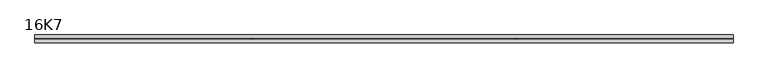
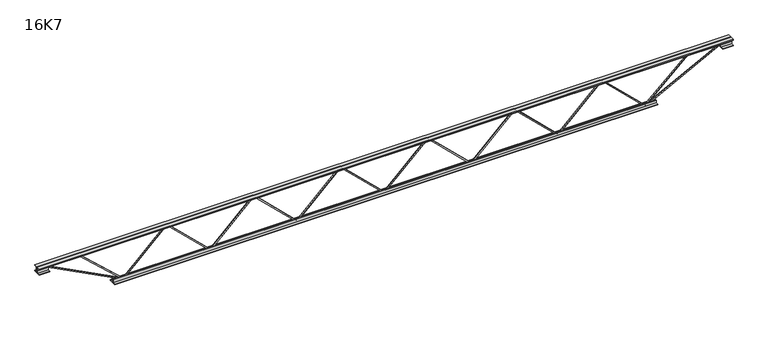
"""IFC4 building model written with IfcOpenShell, lengths in millimetres: beam geometry, 16K7."""

from ifc_helpers import new_model, si_unit, frame, origin, place, context, project, spatial, polyline, outline, extrude, source, transform, mapped, element, save


def beam_16k7_2b55c027(model_context):
    return source(origin(), model_context, "Body", "SweptSolid", [
        extrude(outline(polyline([(-191.9, 824.3333333), (-201.4, 824.3333333), (-201.4, 829.4324089), (191.9, 1235.2490756), (191.9, 1237.7509244), (-201.4, 1643.5675911), (-201.4, 1648.6666667), (-191.9, 1648.6666667), (-191.9, 1647.4157422), (201.4, 1241.5990756), (201.4, 1231.4009244), (-191.9, 825.5842578), (-191.9, 824.3333333)])), frame((0.0, -4.75, 0.0), z_axis=(0.0, 1.0, 0.0), x_axis=(0.0, 0.0, 1.0)), (0.0, 0.0, 1.0), 9.5),
        extrude(outline(polyline([(-191.9, 0.0), (-201.4, 0.0), (-201.4, 5.0990756), (191.9, 410.9157422), (191.9, 413.4175911), (-201.4, 819.2342578), (-201.4, 824.3333333), (-191.9, 824.3333333), (-191.9, 823.0824089), (201.4, 417.2657422), (201.4, 407.0675911), (-191.9, 1.2509244), (-191.9, 0.0)])), frame((0.0, -4.75, 0.0), z_axis=(0.0, 1.0, 0.0), x_axis=(0.0, 0.0, 1.0)), (0.0, 0.0, 1.0), 9.5),
        extrude(outline(polyline([(-191.9, -824.3333333), (-201.4, -824.3333333), (-201.4, -819.2342578), (191.9, -413.4175911), (191.9, -410.9157422), (-201.4, -5.0990756), (-201.4, 0.0), (-191.9, 0.0), (-191.9, -1.2509244), (201.4, -407.0675911), (201.4, -417.2657422), (-191.9, -823.0824089), (-191.9, -824.3333333)])), frame((0.0, -4.75, 0.0), z_axis=(0.0, 1.0, 0.0), x_axis=(0.0, 0.0, 1.0)), (0.0, 0.0, 1.0), 9.5),
        extrude(outline(polyline([(-191.9, -1648.6666667), (-201.4, -1648.6666667), (-201.4, -1643.5675911), (191.9, -1237.7509244), (191.9, -1235.2490756), (-201.4, -829.4324089), (-201.4, -824.3333333), (-191.9, -824.3333333), (-191.9, -825.5842578), (201.4, -1231.4009244), (201.4, -1241.5990756), (-191.9, -1647.4157422), (-191.9, -1648.6666667)])), frame((0.0, -4.75, 0.0), z_axis=(0.0, 1.0, 0.0), x_axis=(0.0, 0.0, 1.0)), (0.0, 0.0, 1.0), 9.5),
        extrude(outline(polyline([(-191.9, 1648.6666667), (-201.4, 1648.6666667), (-201.4, 1653.7657422), (191.9, 2059.5824089), (191.9, 2062.0842578), (-201.4, 2467.9009244), (-201.4, 2473.0), (-191.9, 2473.0), (-191.9, 2471.7490756), (201.4, 2065.9324089), (201.4, 2055.7342578), (-191.9, 1649.9175911), (-191.9, 1648.6666667)])), frame((0.0, -4.75, 0.0), z_axis=(0.0, 1.0, 0.0), x_axis=(0.0, 0.0, 1.0)), (0.0, 0.0, 1.0), 9.5),
        extrude(outline(polyline([(-191.9, -2473.0), (-201.4, -2473.0), (-201.4, -2467.9009244), (191.9, -2062.0842578), (191.9, -2059.5824089), (-201.4, -1653.7657422), (-201.4, -1648.6666667), (-191.9, -1648.6666667), (-191.9, -1649.9175911), (201.4, -2055.7342578), (201.4, -2065.9324089), (-191.9, -2471.7490756), (-191.9, -2473.0)])), frame((0.0, -4.75, 0.0), z_axis=(0.0, 1.0, 0.0), x_axis=(0.0, 0.0, 1.0)), (0.0, 0.0, 1.0), 9.5),
        extrude(outline(polyline([(4.75, 203.0), (36.75, 203.0), (36.75, 196.5), (11.25, 196.5), (11.25, 171.0), (4.75, 171.0), (4.75, 203.0)])), frame((-3285.0, 0.0, 0.0), z_axis=(1.0, 0.0, 0.0), x_axis=(0.0, 1.0, 0.0)), (0.0, 0.0, 1.0), 6570.0),
        extrude(outline(polyline([(-4.75, 203.0), (-4.75, 171.0), (-11.25, 171.0), (-11.25, 196.5), (-36.75, 196.5), (-36.75, 203.0), (-4.75, 203.0)])), frame((-3285.0, 0.0, 0.0), z_axis=(1.0, 0.0, 0.0), x_axis=(0.0, 1.0, 0.0)), (0.0, 0.0, 1.0), 6570.0),
        extrude(outline(polyline([(-4.75, 139.5), (-36.75, 139.5), (-36.75, 146.0), (-11.25, 146.0), (-11.25, 171.0), (-4.75, 171.0), (-4.75, 139.5)])), frame((-3285.0, 0.0, 0.0), z_axis=(1.0, 0.0, 0.0), x_axis=(0.0, 1.0, 0.0)), (0.0, 0.0, 1.0), 100.0),
        extrude(outline(polyline([(36.75, 139.5), (4.75, 139.5), (4.75, 171.0), (11.25, 171.0), (11.25, 146.0), (36.75, 146.0), (36.75, 139.5)])), frame((-3285.0, 0.0, 0.0), z_axis=(1.0, 0.0, 0.0), x_axis=(0.0, 1.0, 0.0)), (0.0, 0.0, 1.0), 100.0),
        extrude(outline(polyline([(4.75, 139.5), (4.75, 171.0), (11.25, 171.0), (11.25, 146.0), (36.75, 146.0), (36.75, 139.5), (4.75, 139.5)])), frame((3185.0, 0.0, 0.0), z_axis=(1.0, 0.0, 0.0), x_axis=(0.0, 1.0, 0.0)), (0.0, 0.0, 1.0), 100.0),
        extrude(outline(polyline([(-4.75, 139.5), (-36.75, 139.5), (-36.75, 146.0), (-11.25, 146.0), (-11.25, 171.0), (-4.75, 171.0), (-4.75, 139.5)])), frame((3185.0, 0.0, 0.0), z_axis=(1.0, 0.0, 0.0), x_axis=(0.0, 1.0, 0.0)), (0.0, 0.0, 1.0), 100.0),
        extrude(outline(polyline([(4.75, -203.0), (4.75, -171.0), (11.25, -171.0), (11.25, -196.5), (36.75, -196.5), (36.75, -203.0), (4.75, -203.0)])), frame((-2573.0, 0.0, 0.0), z_axis=(1.0, 0.0, 0.0), x_axis=(0.0, 1.0, 0.0)), (0.0, 0.0, 1.0), 5146.0),
        extrude(outline(polyline([(-4.75, -203.0), (-36.75, -203.0), (-36.75, -196.5), (-11.25, -196.5), (-11.25, -171.0), (-4.75, -171.0), (-4.75, -203.0)])), frame((-2573.0, 0.0, 0.0), z_axis=(1.0, 0.0, 0.0), x_axis=(0.0, 1.0, 0.0)), (0.0, 0.0, 1.0), 5146.0),
        extrude(outline(polyline([(-200.8705467, -2475.1793315), (-192.4294533, -2470.8206685), (175.75, -3183.8460208), (175.75, -3285.0), (166.25, -3285.0), (166.25, -3186.1539792), (-200.8705467, -2475.1793315)])), frame((0.0, -4.75, 0.0), z_axis=(0.0, 1.0, 0.0), x_axis=(0.0, 0.0, 1.0)), (0.0, 0.0, 1.0), 9.5),
        extrude(outline(polyline([(188.7, -2905.1238095), (179.2, -2905.1238095), (179.2, -2894.257716), (-200.1676125, -2476.192006), (-193.1323875, -2469.807994), (188.7, -2890.589903), (188.7, -2905.1238095)])), frame((0.0, -4.75, 0.0), z_axis=(0.0, 1.0, 0.0), x_axis=(0.0, 0.0, 1.0)), (0.0, 0.0, 1.0), 9.5),
        extrude(outline(polyline([(0.0, -9.5), (0.0, 0.0), (801.3179909, 0.0), (801.3179909, -9.5), (0.0, -9.5)])), frame((3187.1793315, -4.75, 166.7794533), z_axis=(-0.45880662132449596, 0.0, 0.8885361468329809), x_axis=(-0.8885361468329809, 0.0, -0.45880662132449596)), (0.0, 0.0, 1.0), 9.5),
        extrude(outline(polyline([(0.0, -9.5), (0.0, 0.0), (580.2943435, 0.0), (580.2943435, -9.5), (0.0, -9.5)])), frame((2902.90031, -4.75, 193.1574026), z_axis=(-0.677759492902325, 0.0, 0.7352836662001838), x_axis=(-0.7352836662001838, 0.0, -0.677759492902325)), (0.0, 0.0, 1.0), 9.5),
    ])


if __name__ == "__main__":
    model = new_model("IFC4")
    model_context = context("Model", 3, world=origin())
    ifc_project = project(units=[si_unit("LENGTHUNIT", "METRE", prefix="MILLI")], contexts=[model_context])
    site = spatial("IfcSite", under=ifc_project)
    building = spatial("IfcBuilding", under=site)
    placement = place(None, origin())
    beam_16k7_shape = beam_16k7_2b55c027(model_context)
    element("IfcBeam", 1, ObjectType="16K7", at=placement, inside=building, context=model_context, shape_type="MappedRepresentation", body=[
        mapped(beam_16k7_shape, transform((0.0, 0.0, 0.0), x_axis=(1.0, 0.0, 0.0), y_axis=(0.0, 1.0, 0.0), z_axis=(0.0, 0.0, 1.0))),
    ])
    save(model, "model.ifc")
